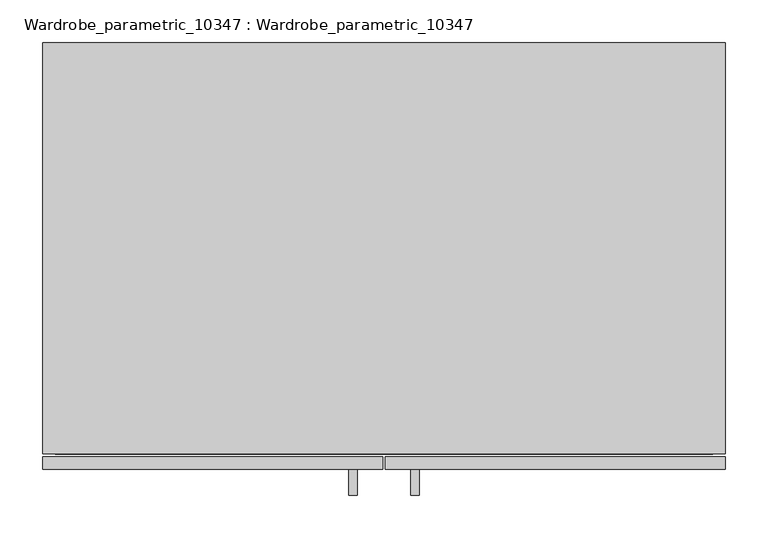
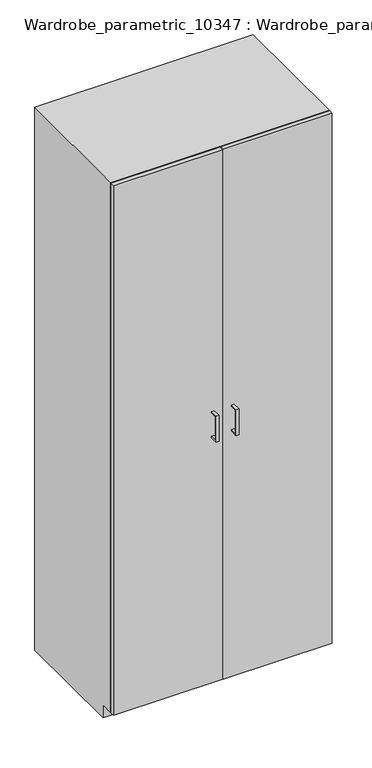
"""IFC4 building model written with IfcOpenShell, lengths in millimetres: furniture geometry, Wardrobe_parametric_10347 : Wardrobe_parametric_10347."""

from ifc_helpers import new_model, si_unit, frame, origin, place, context, project, spatial, polyline, outline, extrude, faceted_brep, source, transform, mapped, element, save


def wardrobe_parametric_10347_wardrobe_parametric_10347_a024b5f7(model_context):
    return source(origin(), model_context, "Body", "SolidModel", [
        extrude(outline(polyline([(-18.0, 1095.0), (-43.0, 1095.0), (-43.0, 1005.0), (-18.0, 1005.0), (-18.0, 1000.0), (-48.0, 1000.0), (-48.0, 1100.0), (-18.0, 1100.0), (-18.0, 1095.0)])), frame((3.2003264, 0.0, 0.0), z_axis=(1.0, 0.0, 0.0), x_axis=(0.0, 1.0, 0.0)), (0.0, 0.0, 1.0), 10.0),
        extrude(outline(polyline([(-18.0, 1095.0), (-43.0, 1095.0), (-43.0, 1005.0), (-18.0, 1005.0), (-18.0, 1000.0), (-48.0, 1000.0), (-48.0, 1100.0), (-18.0, 1100.0), (-18.0, 1095.0)])), frame((76.2003264, 0.0, 0.0), z_axis=(1.0, 0.0, 0.0), x_axis=(0.0, 1.0, 0.0)), (0.0, 0.0, 1.0), 10.0),
        extrude(outline(polyline([(444.7003264, -18.0), (46.2003264, -18.0), (46.2003264, -3.0), (444.7003264, -3.0), (444.7003264, -18.0)])), frame((0.0, 0.0, 50.0), z_axis=(0.0, 0.0, 1.0), x_axis=(1.0, 0.0, 0.0)), (0.0, 0.0, 1.0), 2050.0),
        extrude(outline(polyline([(43.2003264, -3.0), (43.2003264, -18.0), (-355.2996736, -18.0), (-355.2996736, -3.0), (43.2003264, -3.0)])), frame((0.0, 0.0, 50.0), z_axis=(0.0, 0.0, 1.0), x_axis=(1.0, 0.0, 0.0)), (0.0, 0.0, 1.0), 2050.0),
        faceted_brep([(444.7003264, 482.0, 0.0), (444.7003264, 50.0, 0.0), (-355.2996736, 50.0, 0.0), (-355.2996736, 482.0, 0.0), (-355.2996736, 482.0, 2100.0), (444.7003264, 482.0, 2100.0), (-355.2996736, 50.0, 50.0), (-355.2996736, 0.0, 50.0), (-355.2996736, 0.0, 2100.0), (444.7003264, 50.0, 50.0), (444.7003264, 0.0, 2100.0), (444.7003264, 0.0, 50.0), (429.7003264, 0.0, 65.0), (52.2003264, 0.0, 65.0), (52.2003264, 0.0, 1673.5), (429.7003264, 0.0, 1673.5), (-340.2996736, 0.0, 65.0), (-340.2996736, 0.0, 461.5), (37.2003264, 0.0, 461.5), (37.2003264, 0.0, 65.0), (-340.2996736, 0.0, 865.5), (37.2003264, 0.0, 865.5), (37.2003264, 0.0, 476.5), (-340.2996736, 0.0, 476.5), (-340.2996736, 0.0, 2085.0), (429.7003264, 0.0, 2085.0), (429.7003264, 0.0, 1688.5), (-340.2996736, 0.0, 1688.5), (37.2003264, 0.0, 1673.5), (37.2003264, 0.0, 1284.5), (-340.2996736, 0.0, 1284.5), (-340.2996736, 0.0, 1673.5), (-340.2996736, 0.0, 1269.5), (37.2003264, 0.0, 1269.5), (37.2003264, 0.0, 880.5), (-340.2996736, 0.0, 880.5), (-340.2996736, 466.556441, 65.0), (37.2003264, 466.556441, 65.0), (37.2003264, 466.556441, 461.5), (-340.2996736, 466.556441, 461.5), (429.7003264, 466.556441, 65.0), (429.7003264, 466.556441, 1673.5), (52.2003264, 466.556441, 1673.5), (52.2003264, 466.556441, 65.0), (-340.2996736, 466.556441, 1269.5), (-340.2996736, 466.556441, 880.5), (37.2003264, 466.556441, 880.5), (37.2003264, 466.556441, 1269.5), (-340.2996736, 466.556441, 865.5), (-340.2996736, 466.556441, 476.5), (37.2003264, 466.556441, 476.5), (37.2003264, 466.556441, 865.5), (-340.2996736, 466.556441, 2085.0), (-340.2996736, 466.556441, 1688.5), (429.7003264, 466.556441, 1688.5), (429.7003264, 466.556441, 2085.0), (37.2003264, 466.556441, 1673.5), (-340.2996736, 466.556441, 1673.5), (-340.2996736, 466.556441, 1284.5), (37.2003264, 466.556441, 1284.5)], [[[0, 1, 2, 3]], [[3, 4, 5, 0]], [[2, 6, 7, 8, 4, 3]], [[1, 9, 6, 2]], [[0, 5, 10, 11, 9, 1]], [[7, 6, 9, 11]], [[8, 7, 11, 10], [12, 13, 14, 15], [16, 17, 18, 19], [20, 21, 22, 23], [24, 25, 26, 27], [28, 29, 30, 31], [32, 33, 34, 35]], [[36, 16, 19, 37]], [[37, 19, 18, 38]], [[38, 18, 17, 39]], [[39, 17, 16, 36]], [[40, 12, 15, 41]], [[42, 14, 13, 43]], [[43, 13, 12, 40]], [[44, 32, 35, 45]], [[45, 35, 34, 46]], [[46, 34, 33, 47]], [[48, 20, 23, 49]], [[49, 23, 22, 50]], [[50, 22, 21, 51]], [[51, 21, 20, 48]], [[37, 38, 39, 36]], [[44, 45, 46, 47]], [[48, 49, 50, 51]], [[52, 53, 54, 55]], [[41, 42, 43, 40]], [[56, 57, 58, 59]], [[10, 5, 4, 8]], [[52, 24, 27, 53]], [[55, 25, 24, 52]], [[53, 27, 26, 54]], [[54, 26, 25, 55]], [[41, 15, 14, 42]], [[56, 28, 31, 57]], [[57, 31, 30, 58]], [[58, 30, 29, 59]], [[59, 29, 28, 56]], [[47, 33, 32, 44]]]),
    ])


if __name__ == "__main__":
    model = new_model("IFC4")
    model_context = context("Model", 3, world=origin())
    ifc_project = project(units=[si_unit("LENGTHUNIT", "METRE", prefix="MILLI")], contexts=[model_context])
    site = spatial("IfcSite", under=ifc_project)
    building = spatial("IfcBuilding", under=site)
    placement = place(None, origin())
    wardrobe_parametric_10347_wardrobe_parametric_10347_shape = wardrobe_parametric_10347_wardrobe_parametric_10347_a024b5f7(model_context)
    element("IfcFurniture", 1, ObjectType="Wardrobe_parametric_10347 : Wardrobe_parametric_10347", at=placement, inside=building, context=model_context, shape_type="MappedRepresentation", body=[
        mapped(wardrobe_parametric_10347_wardrobe_parametric_10347_shape, transform((0.0, 0.0, 0.0), x_axis=(1.0, 0.0, 0.0), y_axis=(0.0, 1.0, 0.0), z_axis=(0.0, 0.0, 1.0))),
    ])
    save(model, "model.ifc")
